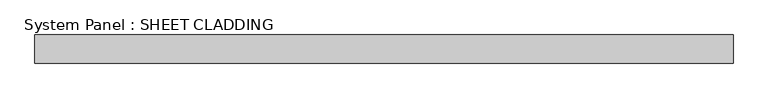
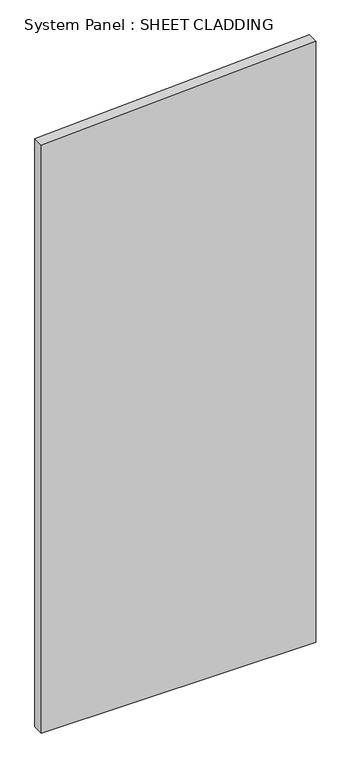
"""IFC4 building model written with IfcOpenShell, lengths in millimetres: plate geometry, System Panel : SHEET CLADDING."""

import ifcopenshell
import ifcopenshell.guid

model = None  # the IFC model being written
_history = None  # IfcOwnerHistory: only IFC2X3 demands one
_inside = {}  # id of a spatial element -> (the spatial element, [elements in it])
_under = {}  # id of a project, library or spatial element -> (it, [spatial elements below it])
_declared = {}  # id of a project -> (the project, [libraries it declares])
_typed = {}  # id of a type object -> (the type object, [elements of that type])
_made_of = {}  # id of a material, layer set ... -> (it, [elements and type objects made of it])


def new_model(schema):
    """Start an empty IFC model of exactly this schema.

    Asked for "IFC4X3", IfcOpenShell would pick the latest addendum, in which some entities
    have other attributes; the version numbers below select the first issue.
    IFC2X3 requires an IfcOwnerHistory on every rooted entity: one is made here for all.
    """
    global model, _history
    if schema == "IFC4X3":
        model = ifcopenshell.file(schema_version=(4, 3, 0, 0))
    else:
        model = ifcopenshell.file(schema=schema)
    _inside.clear()
    _under.clear()
    _declared.clear()
    _typed.clear()
    _made_of.clear()
    _history = None
    if model.schema == "IFC2X3":
        org = make("IfcOrganization", Name="unknown")
        user = make(
            "IfcPersonAndOrganization",
            ThePerson=make("IfcPerson", FamilyName="unknown"),
            TheOrganization=org,
        )
        app = make(
            "IfcApplication",
            ApplicationDeveloper=org,
            Version="unknown",
            ApplicationFullName="unknown",
            ApplicationIdentifier="unknown",
        )
        _history = make(
            "IfcOwnerHistory",
            OwningUser=user,
            OwningApplication=app,
            ChangeAction="ADDED",
            CreationDate=0,
        )
    return model


def make(cls, **values):
    """One entity of the class cls with the attributes given. An attribute that is None is left unset."""
    return model.create_entity(
        cls, **{name: value for name, value in values.items() if value is not None}
    )


def rooted(cls, **values):
    """An entity with a GlobalId (a new one), such as an element, a storey or a relation."""
    return make(cls, GlobalId=ifcopenshell.guid.new(), OwnerHistory=_history, **values)


def si_unit(unit_type, name, prefix=None):
    """IfcSIUnit, for example si_unit("LENGTHUNIT", "METRE", prefix="MILLI")."""
    return make("IfcSIUnit", UnitType=unit_type, Prefix=prefix, Name=name)


def assignment(units):
    """IfcUnitAssignment: the units of a project."""
    return None if units is None else make("IfcUnitAssignment", Units=units)


def point(xyz):
    """IfcCartesianPoint."""
    return None if xyz is None else make("IfcCartesianPoint", Coordinates=xyz)


def direction(xyz):
    """IfcDirection."""
    return None if xyz is None else make("IfcDirection", DirectionRatios=xyz)


def frame(location, z_axis=None, x_axis=None):
    """IfcAxis2Placement3D, a coordinate frame: its origin and axes. An axis left out is left unset."""
    return make(
        "IfcAxis2Placement3D",
        Location=point(location),
        Axis=direction(z_axis),
        RefDirection=direction(x_axis),
    )


def origin():
    """The frame at (0, 0, 0) with its axes left unset."""
    return frame((0.0, 0.0, 0.0))


def place(relative_to, where):
    """IfcLocalPlacement: puts the frame where relative to a parent placement (None: the world)."""
    return make(
        "IfcLocalPlacement", PlacementRelTo=relative_to, RelativePlacement=where
    )


def context(
    kind, dimensions, precision=None, world=None, true_north=None, identifier=None
):
    """IfcGeometricRepresentationContext, for example the 3D "Model" context."""
    return make(
        "IfcGeometricRepresentationContext",
        ContextIdentifier=identifier,
        ContextType=kind,
        CoordinateSpaceDimension=dimensions,
        Precision=precision,
        WorldCoordinateSystem=world,
        TrueNorth=true_north,
    )


def project(units=None, contexts=None):
    """IfcProject with its units and contexts."""
    return rooted(
        "IfcProject",
        Name="project",
        RepresentationContexts=contexts,
        UnitsInContext=assignment(units),
    )


def spatial(cls, under=None, at=None, **own):
    """A site, building, storey or space (cls), placed at a placement, below another one or the project."""
    s = rooted(cls, ObjectPlacement=at, **own)
    if under is not None:
        _under.setdefault(under.id(), (under, []))[1].append(s)
    return s


def polyline(points):
    """IfcPolyline through the points."""
    return make("IfcPolyline", Points=[point(p) for p in points])


def outline(outer, holes=None, kind="AREA"):
    """IfcArbitraryClosedProfileDef: a profile drawn as a closed curve; with holes, ...WithVoids."""
    if holes is None:
        return make("IfcArbitraryClosedProfileDef", ProfileType=kind, OuterCurve=outer)
    return make(
        "IfcArbitraryProfileDefWithVoids",
        ProfileType=kind,
        OuterCurve=outer,
        InnerCurves=holes,
    )


def extrude(swept, where, along, depth):
    """IfcExtrudedAreaSolid: the profile swept, set in the frame where, extruded along a direction by depth."""
    return make(
        "IfcExtrudedAreaSolid",
        SweptArea=swept,
        Position=where,
        ExtrudedDirection=direction(along),
        Depth=depth,
    )


def shape(context_of_items, identifier, shape_type, items):
    """IfcShapeRepresentation: the items that make up one representation, for example the "Body"."""
    return make(
        "IfcShapeRepresentation",
        ContextOfItems=context_of_items,
        RepresentationIdentifier=identifier,
        RepresentationType=shape_type,
        Items=items,
    )


def source(mapping_origin, context_of_items, identifier, shape_type, items):
    """IfcRepresentationMap: a shape defined once, which mapped items show again and again."""
    return make(
        "IfcRepresentationMap",
        MappingOrigin=mapping_origin,
        MappedRepresentation=shape(context_of_items, identifier, shape_type, items),
    )


def transform(
    local_origin,
    x_axis=None,
    y_axis=None,
    z_axis=None,
    scale=None,
    scale2=None,
    scale3=None,
    uniform=True,
):
    """IfcCartesianTransformationOperator3D, or its non-uniform kind. x_axis, y_axis, z_axis: its Axis1, 2, 3."""
    if uniform:
        return make(
            "IfcCartesianTransformationOperator3D",
            Axis1=direction(x_axis),
            Axis2=direction(y_axis),
            LocalOrigin=point(local_origin),
            Scale=scale,
            Axis3=direction(z_axis),
        )
    return make(
        "IfcCartesianTransformationOperator3DnonUniform",
        Axis1=direction(x_axis),
        Axis2=direction(y_axis),
        LocalOrigin=point(local_origin),
        Scale=scale,
        Axis3=direction(z_axis),
        Scale2=scale2,
        Scale3=scale3,
    )


def mapped(mapping_source, mapping_target):
    """IfcMappedItem: shows the shape of a source again, moved by a transform."""
    return make(
        "IfcMappedItem", MappingSource=mapping_source, MappingTarget=mapping_target
    )


def made_of(thing, what):
    """Note that an element or type object is made of a material, layer set ...; save() writes the relation."""
    if what is not None:
        _made_of.setdefault(what.id(), (what, []))[1].append(thing)
    return thing


def element(
    cls,
    number,
    at=None,
    inside=None,
    cuts=None,
    type_object=None,
    material=None,
    context=None,
    identifier="Body",
    shape_type=None,
    held_by="IfcProductDefinitionShape",
    body=None,
    shapes=None,
    **own,
):
    """One element of the class cls, such as IfcWall. Its Tag is "e" and its number.

    at: its placement. inside: the storey or other place that contains it. cuts: it is an
    opening in that element (IfcRelVoidsElement). A single representation is given by context,
    identifier, shape_type and body (its items); several are given by shapes. held_by: the class
    of the entity that holds the representations. save() writes the other relations.
    """
    e = rooted(cls, Tag="e%d" % number, ObjectPlacement=at, **own)
    if body is not None:
        shapes = [shape(context, identifier, shape_type, body)]
    if shapes is not None:
        e.Representation = make(held_by, Representations=shapes)
    if inside is not None:
        _inside.setdefault(inside.id(), (inside, []))[1].append(e)
    if cuts is not None:
        rooted(
            "IfcRelVoidsElement", RelatingBuildingElement=cuts, RelatedOpeningElement=e
        )
    if type_object is not None:
        _typed.setdefault(type_object.id(), (type_object, []))[1].append(e)
    return made_of(e, material)


def aggregate(whole, parts):
    """IfcRelAggregates: a whole, such as a stair, and the parts it consists of."""
    return rooted("IfcRelAggregates", RelatingObject=whole, RelatedObjects=parts)


def save(model, path):
    """Write the relations noted so far, then the file.

    IfcRelAggregates (storeys below a building ...), IfcRelContainedInSpatialStructure (elements
    in a storey), IfcRelDefinesByType, IfcRelAssociatesMaterial and IfcRelDeclares: one each for
    every whole, place, type object, material and project.
    """
    for whole, parts in _under.values():
        aggregate(whole, parts)
    for where, things in _inside.values():
        rooted(
            "IfcRelContainedInSpatialStructure",
            RelatedElements=things,
            RelatingStructure=where,
        )
    for kind, things in _typed.values():
        rooted("IfcRelDefinesByType", RelatedObjects=things, RelatingType=kind)
    for what, things in _made_of.values():
        rooted("IfcRelAssociatesMaterial", RelatedObjects=things, RelatingMaterial=what)
    for by, libraries in _declared.values():
        rooted("IfcRelDeclares", RelatingContext=by, RelatedDefinitions=libraries)
    model.write(path)


def system_panel_sheet_cladding_a147bc9b(model_context):
    return source(origin(), model_context, "Body", "SweptSolid", [
        extrude(outline(polyline([(0.0, -735.4591837), (0.0, 735.4591837), (3402.8295918, 735.4591837), (3329.2836735, -735.4591837), (0.0, -735.4591837)])), frame((0.0, -10.5, 0.0), z_axis=(0.0, 1.0, 0.0), x_axis=(0.0, 0.0, 1.0)), (0.0, 0.0, 1.0), 60.0),
    ])


if __name__ == "__main__":
    model = new_model("IFC4")
    model_context = context("Model", 3, world=origin())
    ifc_project = project(units=[si_unit("LENGTHUNIT", "METRE", prefix="MILLI")], contexts=[model_context])
    site = spatial("IfcSite", under=ifc_project)
    building = spatial("IfcBuilding", under=site)
    placement = place(None, origin())
    system_panel_sheet_cladding_shape = system_panel_sheet_cladding_a147bc9b(model_context)
    element("IfcPlate", 1, ObjectType="System Panel : SHEET CLADDING", at=placement, inside=building, context=model_context, shape_type="MappedRepresentation", body=[
        mapped(system_panel_sheet_cladding_shape, transform((0.0, 0.0, 0.0), x_axis=(1.0, 0.0, 0.0), y_axis=(0.0, 1.0, 0.0), z_axis=(0.0, 0.0, 1.0))),
    ])
    save(model, "model.ifc")
